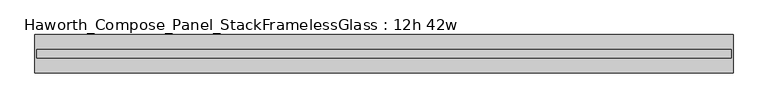
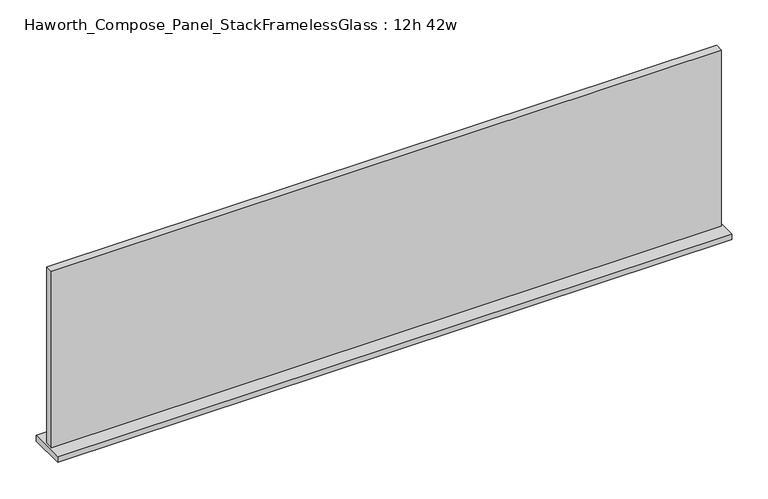
"""IFC4 building model written with IfcOpenShell, lengths in millimetres: furniture geometry, Haworth_Compose_Panel_StackFramelessGlass : 12h 42w."""

from ifc_helpers import new_model, si_unit, frame, origin, place, context, project, spatial, polyline, outline, extrude, source, transform, mapped, element, save


def haworth_compose_panel_stackframelessglass_12h_42w_41c65ef2(model_context):
    return source(origin(), model_context, "Body", "SweptSolid", [
        extrude(outline(polyline([(532.6652902, -27.3093594), (-527.7847098, -27.3093594), (-527.7847098, -14.6093594), (532.6652902, -14.6093594), (532.6652902, -27.3093594)])), frame((0.0, 0.0, 1279.525), z_axis=(0.0, 0.0, 1.0), x_axis=(1.0, 0.0, 0.0)), (0.0, 0.0, 1.0), 295.275),
        extrude(outline(polyline([(-530.9597098, -50.3281094), (-530.9597098, 8.4093906), (535.8402902, 8.4093906), (535.8402902, -50.3281094), (-530.9597098, -50.3281094)])), frame((0.0, 0.0, 1270.0), z_axis=(0.0, 0.0, 1.0), x_axis=(1.0, 0.0, 0.0)), (0.0, 0.0, 1.0), 9.525),
    ])


if __name__ == "__main__":
    model = new_model("IFC4")
    model_context = context("Model", 3, world=origin())
    ifc_project = project(units=[si_unit("LENGTHUNIT", "METRE", prefix="MILLI")], contexts=[model_context])
    site = spatial("IfcSite", under=ifc_project)
    building = spatial("IfcBuilding", under=site)
    placement = place(None, origin())
    haworth_compose_panel_stackframelessglass_12h_42w_shape = haworth_compose_panel_stackframelessglass_12h_42w_41c65ef2(model_context)
    element("IfcFurniture", 1, ObjectType="Haworth_Compose_Panel_StackFramelessGlass : 12h 42w", at=placement, inside=building, context=model_context, shape_type="MappedRepresentation", body=[
        mapped(haworth_compose_panel_stackframelessglass_12h_42w_shape, transform((0.0, 0.0, 0.0), x_axis=(1.0, 0.0, 0.0), y_axis=(0.0, 1.0, 0.0), z_axis=(0.0, 0.0, 1.0))),
    ])
    save(model, "model.ifc")
